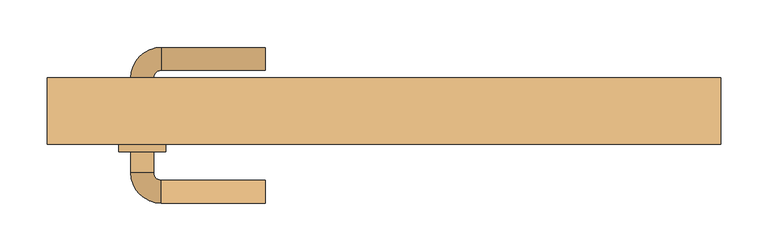
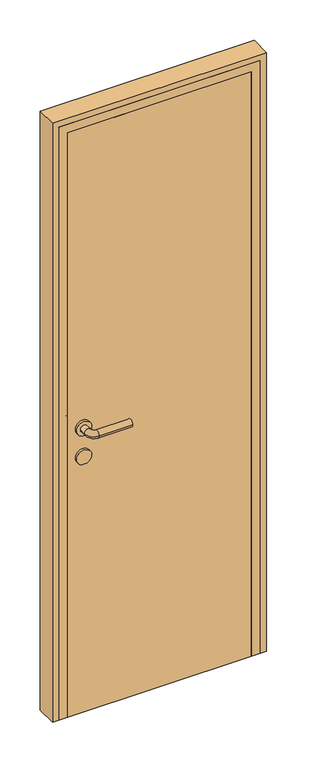
"""IFC4 building model written with IfcOpenShell, lengths in millimetres: door geometry."""

from ifc_helpers import new_model, si_unit, point, frame, frame_2d, origin, origin_with_axes, place, context, project, spatial, polyline, circle_curve, ellipse_curve, trimmed, segment, composite_curve, outline, extrude, faceted_brep, source, transform, mapped, element, save
from ifc_brep_helpers import plane_surface, cylinder_surface, revolved_surface, advanced_brep


def door_9ef3066a(model_context):
    return source(origin(), model_context, "Body", "SolidModel", [
        advanced_brep(
        [(-125.0, -87.0, 1000.0), (-125.0, -63.0, 1000.0), (-235.0, -63.0, 1000.0), (-235.0, -87.0, 1000.0), (-243.0, -55.0, 1000.0), (-267.0, -55.0, 1000.0), (-267.0, 45.0, 1000.0), (-267.0, 23.0, 1000.0), (-243.0, 23.0, 1000.0), (-243.0, 45.0, 1000.0), (-243.0, -33.0, 1000.0), (-267.0, -33.0, 1000.0), (-235.0, 53.0, 1000.0), (-235.0, 77.0, 1000.0), (-125.0, 77.0, 1000.0), (-125.0, 53.0, 1000.0), (-230.0, 23.0, 1000.0), (-280.0, 23.0, 1000.0), (-230.0, -33.0, 1000.0), (-280.0, -33.0, 1000.0)],
        [
            (0, 1, circle_curve(frame((-125.0, -75.0, 1000.0), z_axis=(1.0, 0.0, 0.0), x_axis=(0.0, 1.0, 0.0)), 12.0)),
            (1, 0, circle_curve(frame((-125.0, -75.0, 1000.0), z_axis=(1.0, 0.0, 0.0), x_axis=(0.0, 1.0, 0.0)), 12.0)),
            (1, 2),
            (2, 3, circle_curve(frame((-235.0, -75.0, 1000.0), z_axis=(1.0, 0.0, 0.0), x_axis=(0.0, 1.0, 0.0)), 12.0)),
            (3, 0),
            (3, 2, circle_curve(frame((-235.0, -75.0, 1000.0), z_axis=(1.0, 0.0, 0.0), x_axis=(0.0, 1.0, 0.0)), 12.0)),
            (2, 4, circle_curve(frame((-235.0, -55.0, 1000.0), z_axis=(0.0, 0.0, -1.0), x_axis=(0.0, -1.0, 0.0)), 8.0)),
            (4, 5, circle_curve(frame((-255.0, -55.0, 1000.0), z_axis=(0.0, -1.0, 0.0), x_axis=(1.0, 0.0, 0.0)), 12.0)),
            (5, 3, circle_curve(frame((-235.0, -55.0, 1000.0), z_axis=(0.0, 0.0, 1.0), x_axis=(0.0, -1.0, 0.0)), 32.0)),
            (5, 4, circle_curve(frame((-255.0, -55.0, 1000.0), z_axis=(0.0, -1.0, 0.0), x_axis=(1.0, 0.0, 0.0)), 12.0)),
            (6, 7),
            (7, 8, circle_curve(frame((-255.0, 23.0, 1000.0), z_axis=(0.0, 1.0, 0.0), x_axis=(1.0, 0.0, 0.0)), 12.0)),
            (8, 9),
            (9, 6, circle_curve(frame((-255.0, 45.0, 1000.0), z_axis=(0.0, -1.0, 0.0), x_axis=(1.0, 0.0, 0.0)), 12.0)),
            (4, 10),
            (10, 11, circle_curve(frame((-255.0, -33.0, 1000.0), z_axis=(0.0, -1.0, 0.0), x_axis=(1.0, 0.0, 0.0)), 12.0)),
            (11, 5),
            (11, 10, circle_curve(frame((-255.0, -33.0, 1000.0), z_axis=(0.0, -1.0, 0.0), x_axis=(1.0, 0.0, 0.0)), 12.0)),
            (8, 7, circle_curve(frame((-255.0, 23.0, 1000.0), z_axis=(0.0, 1.0, 0.0), x_axis=(1.0, 0.0, 0.0)), 12.0)),
            (6, 9, circle_curve(frame((-255.0, 45.0, 1000.0), z_axis=(0.0, -1.0, 0.0), x_axis=(1.0, 0.0, 0.0)), 12.0)),
            (9, 12, circle_curve(frame((-235.0, 45.0, 1000.0), z_axis=(0.0, 0.0, -1.0), x_axis=(-1.0, 0.0, 0.0)), 8.0)),
            (12, 13, circle_curve(frame((-235.0, 65.0, 1000.0), z_axis=(-1.0, 0.0, 0.0), x_axis=(0.0, -1.0, 0.0)), 12.0)),
            (13, 6, circle_curve(frame((-235.0, 45.0, 1000.0), z_axis=(0.0, 0.0, 1.0), x_axis=(-1.0, 0.0, 0.0)), 32.0)),
            (13, 12, circle_curve(frame((-235.0, 65.0, 1000.0), z_axis=(-1.0, 0.0, 0.0), x_axis=(0.0, -1.0, 0.0)), 12.0)),
            (14, 15, circle_curve(frame((-125.0, 65.0, 1000.0), z_axis=(1.0, 0.0, 0.0), x_axis=(0.0, -1.0, 0.0)), 12.0)),
            (15, 14, circle_curve(frame((-125.0, 65.0, 1000.0), z_axis=(1.0, 0.0, 0.0), x_axis=(0.0, -1.0, 0.0)), 12.0)),
            (12, 15),
            (14, 13),
            (16, 17, circle_curve(frame((-255.0, 23.0, 1000.0), z_axis=(0.0, 1.0, 0.0), x_axis=(-1.0, 0.0, 0.0)), 25.0)),
            (17, 16, circle_curve(frame((-255.0, 23.0, 1000.0), z_axis=(0.0, 1.0, 0.0), x_axis=(-1.0, 0.0, 0.0)), 25.0)),
            (18, 19, circle_curve(frame((-255.0, -33.0, 1000.0), z_axis=(0.0, -1.0, 0.0), x_axis=(-1.0, 0.0, 0.0)), 25.0)),
            (19, 18, circle_curve(frame((-255.0, -33.0, 1000.0), z_axis=(0.0, -1.0, 0.0), x_axis=(-1.0, 0.0, 0.0)), 25.0)),
            (17, 19),
            (18, 16),
        ],
        [
            plane_surface(frame((-125.0, -75.0, 1000.0), z_axis=(1.0, 0.0, 0.0), x_axis=(0.0, 0.0, 1.0))),
            cylinder_surface(frame((-125.0, -75.0, 1000.0), z_axis=(1.0, 0.0, 0.0), x_axis=(0.0, 1.0, 0.0)), 12.0),
            revolved_surface(trimmed(ellipse_curve(frame((-235.0, -75.0, 1000.0), z_axis=(-1.0, 0.0, 0.0), x_axis=(0.0, 1.0, 0.0)), 12.0, 12.0), [point((-235.0, -87.0, 1000.0))], [point((-235.0, -63.0, 1000.0))], True, "CARTESIAN"), (-235.0, -55.0, 1000.0), (0.0, 0.0, 1.0)),
            revolved_surface(trimmed(ellipse_curve(frame((-235.0, -75.0, 1000.0), z_axis=(-1.0, 0.0, 0.0), x_axis=(0.0, 1.0, 0.0)), 12.0, 12.0), [point((-235.0, -63.0, 1000.0))], [point((-235.0, -87.0, 1000.0))], True, "CARTESIAN"), (-235.0, -55.0, 1000.0), (0.0, 0.0, 1.0)),
            cylinder_surface(frame((-255.0, -55.0, 1000.0), z_axis=(0.0, -1.0, 0.0), x_axis=(1.0, 0.0, 0.0)), 12.0),
            revolved_surface(trimmed(ellipse_curve(frame((-255.0, 45.0, 1000.0), z_axis=(0.0, 1.0, 0.0), x_axis=(1.0, 0.0, 0.0)), 12.0, 12.0), [point((-267.0, 45.0, 1000.0))], [point((-243.0, 45.0, 1000.0))], True, "CARTESIAN"), (-235.0, 45.0, 1000.0), (0.0, 0.0, 1.0)),
            revolved_surface(trimmed(ellipse_curve(frame((-255.0, 45.0, 1000.0), z_axis=(0.0, 1.0, 0.0), x_axis=(1.0, 0.0, 0.0)), 12.0, 12.0), [point((-243.0, 45.0, 1000.0))], [point((-267.0, 45.0, 1000.0))], True, "CARTESIAN"), (-235.0, 45.0, 1000.0), (0.0, 0.0, 1.0)),
            plane_surface(frame((-125.0, 65.0, 1000.0), z_axis=(1.0, 0.0, 0.0), x_axis=(0.0, 0.0, 1.0))),
            cylinder_surface(frame((-235.0, 65.0, 1000.0), z_axis=(-1.0, 0.0, 0.0), x_axis=(0.0, -1.0, 0.0)), 12.0),
            plane_surface(frame((-280.0, 23.0, 1000.0), z_axis=(0.0, 1.0, 0.0), x_axis=(0.0, 0.0, -1.0))),
            plane_surface(frame((-280.0, -33.0, 1000.0), z_axis=(0.0, -1.0, 0.0), x_axis=(0.0, 0.0, 1.0))),
            cylinder_surface(frame((-255.0, 23.0, 1000.0), z_axis=(0.0, -1.0, 0.0), x_axis=(-1.0, 0.0, 0.0)), 25.0),
        ],
        [
            (0, [[1, 2]]),
            (1, [[3, 4, 5, -2]]),
            (1, [[-5, 6, -3, -1]]),
            (2, [[7, 8, 9, -4]]),
            (3, [[-9, 10, -7, -6]]),
            (4, [[11, 12, 13, 14]]),
            (4, [[15, 16, 17, -8]]),
            (4, [[-17, 18, -15, -10]]),
            (4, [[-13, 19, -11, 20]]),
            (5, [[21, 22, 23, -14]]),
            (6, [[-23, 24, -21, -20]]),
            (7, [[25, 26]]),
            (8, [[27, -25, 28, -22]]),
            (8, [[-28, -26, -27, -24]]),
            (9, [[29, 30], [-19, -12]]),
            (10, [[31, 32], [-18, -16]]),
            (11, [[33, -31, 34, -30]]),
            (11, [[-34, -32, -33, -29]]),
        ],
    ),
        extrude(outline(composite_curve([segment(trimmed(circle_curve(frame_2d((900.0, -255.0)), 25.0), [point((900.0, -230.0))], [point((900.0, -280.0))], False, "CARTESIAN"), True, "CONTINUOUS"), segment(trimmed(circle_curve(frame_2d((900.0, -255.0)), 25.0), [point((900.0, -280.0))], [point((900.0, -230.0))], False, "CARTESIAN"), True, "CONTINUOUS")], self_intersect=False)), frame((0.0, -33.0, 0.0), z_axis=(0.0, 1.0, 0.0), x_axis=(0.0, 0.0, 1.0)), (0.0, 0.0, 1.0), 56.0),
        extrude(outline(polyline([(305.0, 15.0), (305.0, -25.0), (-305.0, -25.0), (-305.0, 15.0), (305.0, 15.0)])), origin_with_axes(), (0.0, 0.0, 1.0), 2050.0),
        extrude(outline(polyline([(0.0, 355.0), (2100.0, 355.0), (2100.0, -355.0), (0.0, -355.0), (0.0, -335.0), (2080.0, -335.0), (2080.0, 335.0), (0.0, 335.0), (0.0, 355.0)])), frame((0.0, -25.0, 0.0), z_axis=(0.0, 1.0, 0.0), x_axis=(0.0, 0.0, 1.0)), (0.0, 0.0, 1.0), 70.0),
        faceted_brep([(-335.0, 45.0, 0.0), (-295.0, 45.0, 0.0), (-295.0, 15.0, 0.0), (-305.0, 15.0, 0.0), (-305.0, -25.0, 0.0), (-335.0, -25.0, 0.0), (-335.0, -25.0, 2080.0), (-335.0, 45.0, 2080.0), (-305.0, -25.0, 2050.0), (305.0, -25.0, 2050.0), (305.0, -25.0, 0.0), (335.0, -25.0, 0.0), (335.0, -25.0, 2080.0), (-305.0, 15.0, 2050.0), (-295.0, 15.0, 2040.0), (295.0, 15.0, 2040.0), (295.0, 15.0, 0.0), (305.0, 15.0, 0.0), (305.0, 15.0, 2050.0), (-295.0, 45.0, 2040.0), (335.0, 45.0, 2080.0), (335.0, 45.0, 0.0), (295.0, 45.0, 0.0), (295.0, 45.0, 2040.0)], [[[0, 1, 2, 3, 4, 5]], [[5, 6, 7, 0]], [[4, 8, 9, 10, 11, 12, 6, 5]], [[3, 13, 8, 4]], [[2, 14, 15, 16, 17, 18, 13, 3]], [[1, 19, 14, 2]], [[0, 7, 20, 21, 22, 23, 19, 1]], [[6, 12, 20, 7]], [[13, 18, 9, 8]], [[19, 23, 15, 14]], [[21, 11, 10, 17, 16, 22]], [[12, 11, 21, 20]], [[18, 17, 10, 9]], [[23, 22, 16, 15]]]),
    ])


if __name__ == "__main__":
    model = new_model("IFC4")
    model_context = context("Model", 3, world=origin())
    ifc_project = project(units=[si_unit("LENGTHUNIT", "METRE", prefix="MILLI")], contexts=[model_context])
    site = spatial("IfcSite", under=ifc_project)
    building = spatial("IfcBuilding", under=site)
    placement = place(None, origin())
    door_shape = door_9ef3066a(model_context)
    element("IfcDoor", 1, at=placement, inside=building, context=model_context, shape_type="MappedRepresentation", body=[
        mapped(door_shape, transform((0.0, 0.0, 0.0), x_axis=(1.0, 0.0, 0.0), y_axis=(0.0, 1.0, 0.0), z_axis=(0.0, 0.0, 1.0))),
    ])
    save(model, "model.ifc")
